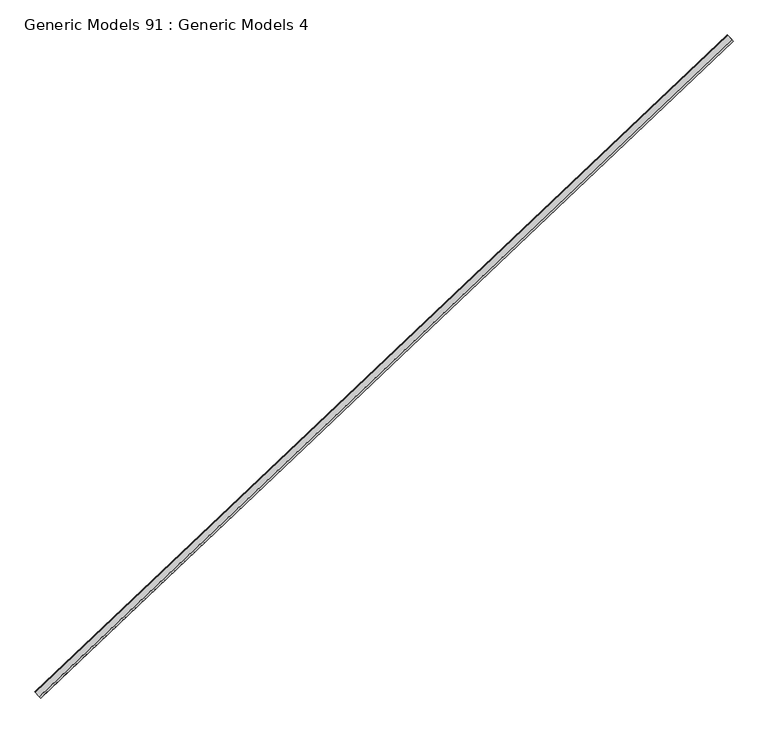
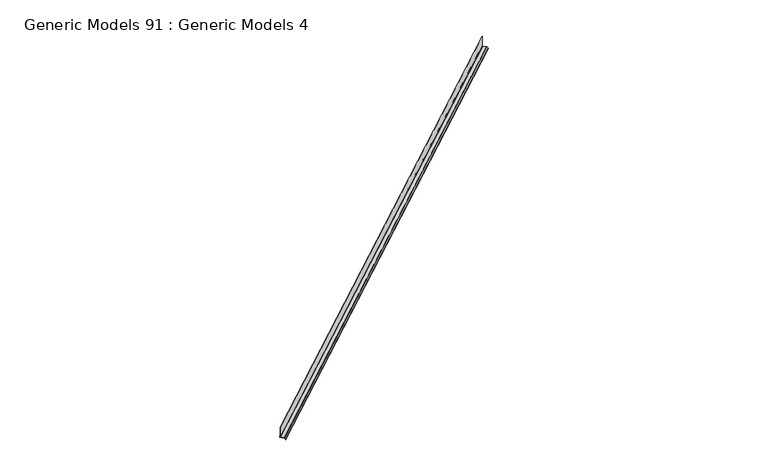
"""IFC4 building model written with IfcOpenShell, lengths in millimetres: proxy geometry, Generic Models 91 : Generic Models 4."""

from ifc_helpers import new_model, si_unit, point, frame, frame_2d, origin, place, context, project, spatial, polyline, circle_curve, trimmed, segment, composite_curve, outline, extrude, source, transform, mapped, element, save


def generic_models_91_generic_models_4_9c8cc413(model_context):
    return source(origin(), model_context, "Body", "SweptSolid", [
        extrude(outline(composite_curve([segment(trimmed(circle_curve(frame_2d((1.6387779, 1.5825494)), 0.819389), [point((1.6101816, 2.4014393))], [point((0.819389, 1.5825494))], True, "CARTESIAN"), True, "CONTINUOUS"), segment(polyline([(0.819389, 1.5825494), (0.819389, -10.0334912), (0.0, -10.0334912), (0.0, 1.5825494)]), True, "CONTINUOUS"), segment(trimmed(circle_curve(frame_2d((1.6387779, 1.5825494)), 1.638778), [point((0.0, 1.5825494))], [point((1.5815854, 3.2203291))], False, "CARTESIAN"), True, "CONTINUOUS"), segment(polyline([(1.5815854, 3.2203291), (29.9772023, 4.2119259), (38.4411225, 12.675846)]), True, "CONTINUOUS"), segment(trimmed(circle_curve(frame_2d((39.3102157, 11.8067528)), 1.2290835), [point((38.4411225, 12.675846))], [point((40.179309, 10.9376595))], False, "CARTESIAN"), True, "CONTINUOUS"), segment(polyline([(40.179309, 10.9376595), (31.4871588, 2.2455094)]), True, "CONTINUOUS"), segment(trimmed(circle_curve(frame_2d((30.3283679, 3.4043004)), 1.638778), [point((31.4871588, 2.2455094))], [point((30.3855604, 1.7665208))], False, "CARTESIAN"), True, "CONTINUOUS"), segment(polyline([(30.3855604, 1.7665208), (3.2489596, 0.8188898)]), True, "CONTINUOUS"), segment(trimmed(circle_curve(frame_2d((3.2775559, 0.0)), 0.819389), [point((3.2489596, 0.8188898))], [point((2.458167, 0.0))], True, "CARTESIAN"), True, "CONTINUOUS"), segment(polyline([(2.458167, 0.0), (2.458167, -75.6308046), (1.6387779, -75.6308046), (1.6387779, 0.0)]), True, "CONTINUOUS"), segment(trimmed(circle_curve(frame_2d((3.2775559, 0.0)), 1.638778), [point((1.6387779, 0.0))], [point((3.2203634, 1.6377796))], False, "CARTESIAN"), True, "CONTINUOUS"), segment(polyline([(3.2203634, 1.6377796), (30.6795334, 2.596675), (39.5999135, 11.517055)]), True, "CONTINUOUS"), segment(trimmed(circle_curve(frame_2d((39.3102157, 11.8067528)), 0.4096945), [point((39.5999135, 11.517055))], [point((39.020518, 12.0964505))], True, "CARTESIAN"), True, "CONTINUOUS"), segment(polyline([(39.020518, 12.0964505), (30.7848278, 3.8607603)]), True, "CONTINUOUS"), segment(trimmed(circle_curve(frame_2d((29.6260368, 5.0195513)), 1.638778), [point((30.7848278, 3.8607603))], [point((29.6832293, 3.3817717))], False, "CARTESIAN"), True, "CONTINUOUS"), segment(polyline([(29.6832293, 3.3817717), (1.6101816, 2.4014393)]), True, "CONTINUOUS")], self_intersect=False)), frame((108258.9762944, 48346.3592105, 18087.3281941), z_axis=(0.7253743710123146, 0.6883545756937256, 0.0), x_axis=(0.6883545756937256, -0.7253743710123146, 0.0)), (0.0, 0.0, 1.0), 4530.725),
    ])


if __name__ == "__main__":
    model = new_model("IFC4")
    model_context = context("Model", 3, world=origin())
    ifc_project = project(units=[si_unit("LENGTHUNIT", "METRE", prefix="MILLI")], contexts=[model_context])
    site = spatial("IfcSite", under=ifc_project)
    building = spatial("IfcBuilding", under=site)
    placement = place(None, origin())
    generic_models_91_generic_models_4_shape = generic_models_91_generic_models_4_9c8cc413(model_context)
    element("IfcBuildingElementProxy", 1, Name="Generic Models 91 : Generic Models 4", ObjectType="Generic Models 91 : Generic Models 4", at=placement, inside=building, context=model_context, shape_type="MappedRepresentation", body=[
        mapped(generic_models_91_generic_models_4_shape, transform((0.0, 0.0, 0.0), x_axis=(1.0, 0.0, 0.0), y_axis=(0.0, 1.0, 0.0), z_axis=(0.0, 0.0, 1.0))),
    ])
    save(model, "model.ifc")
